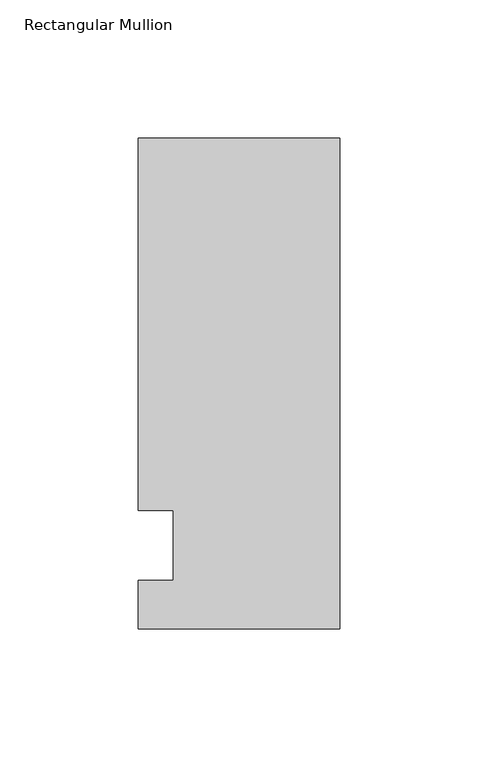
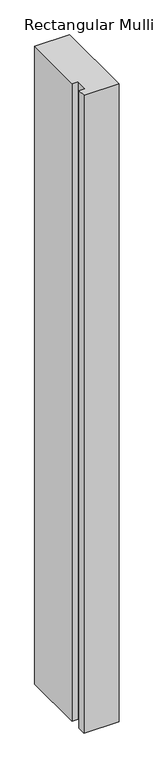
"""IFC4 building model written with IfcOpenShell, lengths in millimetres: member geometry, Rectangular Mullion."""

from ifc_helpers import new_model, si_unit, frame, origin, place, context, project, spatial, polyline, outline, extrude, source, transform, mapped, element, save


def rectangular_mullion_10cd0baf(model_context):
    return source(origin(), model_context, "Body", "SweptSolid", [
        extrude(outline(polyline([(-73.025, 147.6375), (0.0, 147.6375), (0.0, -30.1625), (-73.025, -30.1625), (-73.025, -12.7), (-60.3232296, -12.7), (-60.3232296, 12.7), (-73.025, 12.7), (-73.025, 147.6375)])), frame((0.0, 0.0, -1406.6260693), z_axis=(0.0, 0.0, 1.0), x_axis=(1.0, 0.0, 0.0)), (0.0, 0.0, 1.0), 1406.6260693),
    ])


if __name__ == "__main__":
    model = new_model("IFC4")
    model_context = context("Model", 3, world=origin())
    ifc_project = project(units=[si_unit("LENGTHUNIT", "METRE", prefix="MILLI")], contexts=[model_context])
    site = spatial("IfcSite", under=ifc_project)
    building = spatial("IfcBuilding", under=site)
    placement = place(None, origin())
    rectangular_mullion_shape = rectangular_mullion_10cd0baf(model_context)
    element("IfcMember", 1, ObjectType="Rectangular Mullion", at=placement, inside=building, context=model_context, shape_type="MappedRepresentation", body=[
        mapped(rectangular_mullion_shape, transform((0.0, 0.0, 0.0), x_axis=(1.0, 0.0, 0.0), y_axis=(0.0, 1.0, 0.0), z_axis=(0.0, 0.0, 1.0))),
    ])
    save(model, "model.ifc")
